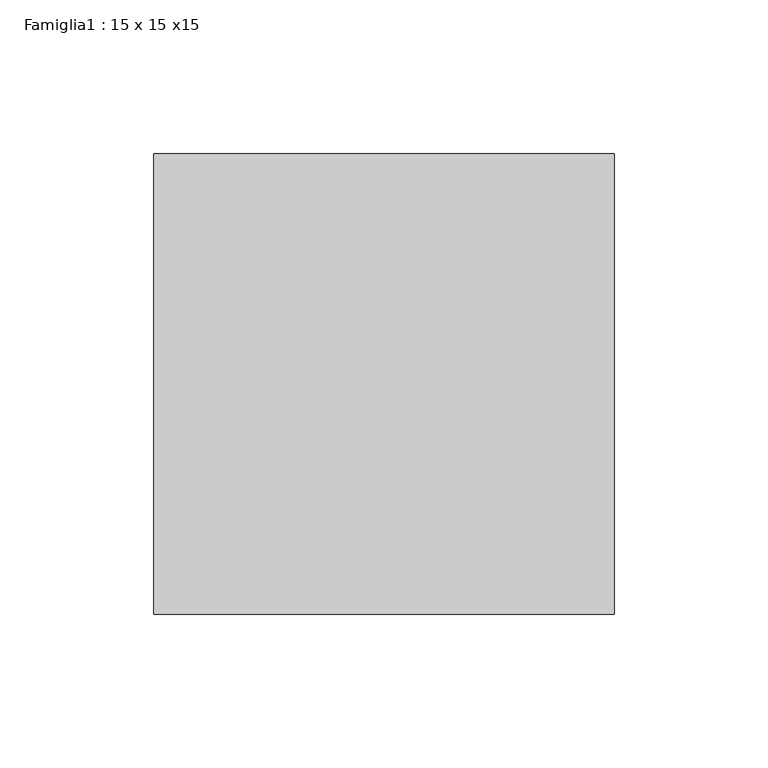
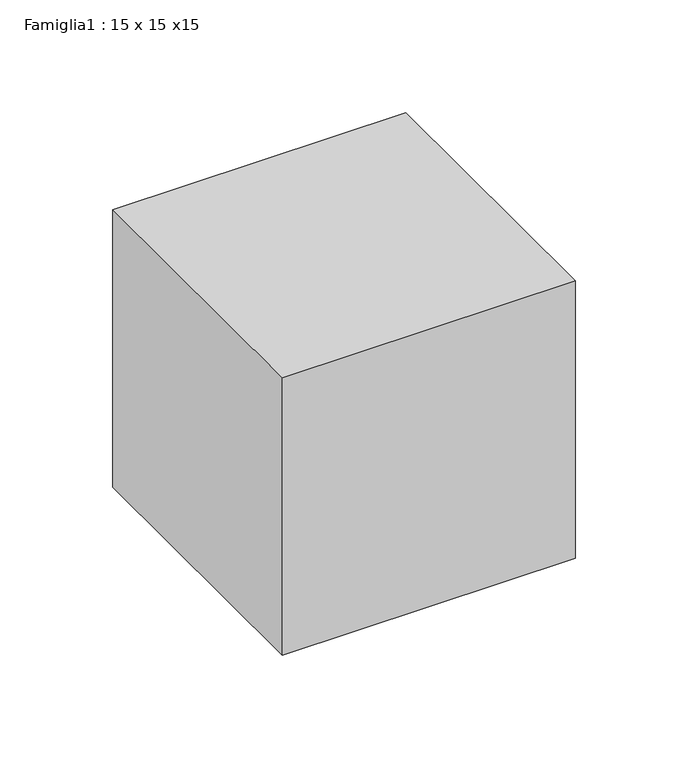
"""IFC4 building model written with IfcOpenShell, lengths in millimetres: proxy geometry, Famiglia1 : 15 x 15 x15."""

from ifc_helpers import new_model, si_unit, origin, origin_with_axes, place, context, project, spatial, polyline, outline, extrude, source, transform, mapped, element, save


def famiglia1_15_x_15_x15_9c98a160(model_context):
    return source(origin(), model_context, "Body", "SweptSolid", [
        extrude(outline(polyline([(0.0, 0.0), (0.0, 150.0), (150.0, 150.0), (150.0, 0.0), (0.0, 0.0)])), origin_with_axes(), (0.0, 0.0, 1.0), 150.0),
    ])


if __name__ == "__main__":
    model = new_model("IFC4")
    model_context = context("Model", 3, world=origin())
    ifc_project = project(units=[si_unit("LENGTHUNIT", "METRE", prefix="MILLI")], contexts=[model_context])
    site = spatial("IfcSite", under=ifc_project)
    building = spatial("IfcBuilding", under=site)
    placement = place(None, origin())
    famiglia1_15_x_15_x15_shape = famiglia1_15_x_15_x15_9c98a160(model_context)
    element("IfcBuildingElementProxy", 1, Name="Famiglia1 : 15 x 15 x15", ObjectType="Famiglia1 : 15 x 15 x15", at=placement, inside=building, context=model_context, shape_type="MappedRepresentation", body=[
        mapped(famiglia1_15_x_15_x15_shape, transform((0.0, 0.0, 0.0), x_axis=(1.0, 0.0, 0.0), y_axis=(0.0, 1.0, 0.0), z_axis=(0.0, 0.0, 1.0))),
    ])
    save(model, "model.ifc")
